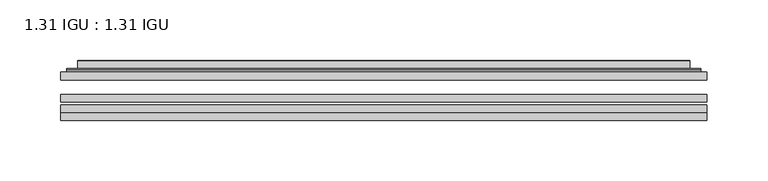
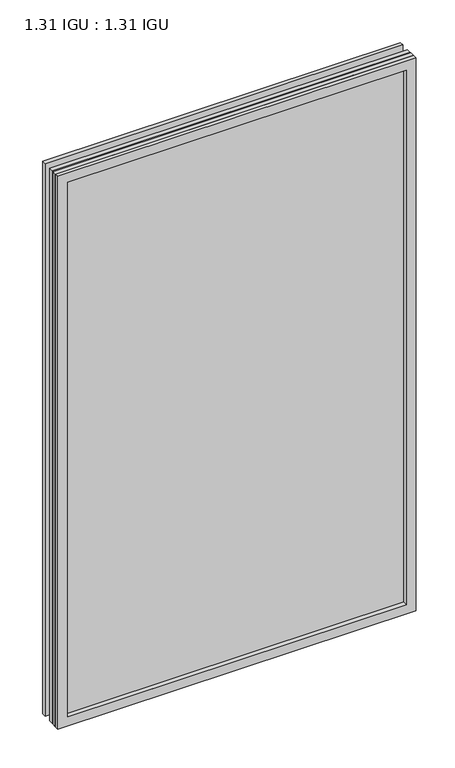
"""IFC4 building model written with IfcOpenShell, lengths in millimetres: plate geometry, 1.31 IGU : 1.31 IGU."""

import ifcopenshell
import ifcopenshell.guid

model = None  # the IFC model being written
_history = None  # IfcOwnerHistory: only IFC2X3 demands one
_inside = {}  # id of a spatial element -> (the spatial element, [elements in it])
_under = {}  # id of a project, library or spatial element -> (it, [spatial elements below it])
_declared = {}  # id of a project -> (the project, [libraries it declares])
_typed = {}  # id of a type object -> (the type object, [elements of that type])
_made_of = {}  # id of a material, layer set ... -> (it, [elements and type objects made of it])


def new_model(schema):
    """Start an empty IFC model of exactly this schema.

    Asked for "IFC4X3", IfcOpenShell would pick the latest addendum, in which some entities
    have other attributes; the version numbers below select the first issue.
    IFC2X3 requires an IfcOwnerHistory on every rooted entity: one is made here for all.
    """
    global model, _history
    if schema == "IFC4X3":
        model = ifcopenshell.file(schema_version=(4, 3, 0, 0))
    else:
        model = ifcopenshell.file(schema=schema)
    _inside.clear()
    _under.clear()
    _declared.clear()
    _typed.clear()
    _made_of.clear()
    _history = None
    if model.schema == "IFC2X3":
        org = make("IfcOrganization", Name="unknown")
        user = make(
            "IfcPersonAndOrganization",
            ThePerson=make("IfcPerson", FamilyName="unknown"),
            TheOrganization=org,
        )
        app = make(
            "IfcApplication",
            ApplicationDeveloper=org,
            Version="unknown",
            ApplicationFullName="unknown",
            ApplicationIdentifier="unknown",
        )
        _history = make(
            "IfcOwnerHistory",
            OwningUser=user,
            OwningApplication=app,
            ChangeAction="ADDED",
            CreationDate=0,
        )
    return model


def make(cls, **values):
    """One entity of the class cls with the attributes given. An attribute that is None is left unset."""
    return model.create_entity(
        cls, **{name: value for name, value in values.items() if value is not None}
    )


def rooted(cls, **values):
    """An entity with a GlobalId (a new one), such as an element, a storey or a relation."""
    return make(cls, GlobalId=ifcopenshell.guid.new(), OwnerHistory=_history, **values)


def si_unit(unit_type, name, prefix=None):
    """IfcSIUnit, for example si_unit("LENGTHUNIT", "METRE", prefix="MILLI")."""
    return make("IfcSIUnit", UnitType=unit_type, Prefix=prefix, Name=name)


def assignment(units):
    """IfcUnitAssignment: the units of a project."""
    return None if units is None else make("IfcUnitAssignment", Units=units)


def point(xyz):
    """IfcCartesianPoint."""
    return None if xyz is None else make("IfcCartesianPoint", Coordinates=xyz)


def direction(xyz):
    """IfcDirection."""
    return None if xyz is None else make("IfcDirection", DirectionRatios=xyz)


def frame(location, z_axis=None, x_axis=None):
    """IfcAxis2Placement3D, a coordinate frame: its origin and axes. An axis left out is left unset."""
    return make(
        "IfcAxis2Placement3D",
        Location=point(location),
        Axis=direction(z_axis),
        RefDirection=direction(x_axis),
    )


def origin():
    """The frame at (0, 0, 0) with its axes left unset."""
    return frame((0.0, 0.0, 0.0))


def place(relative_to, where):
    """IfcLocalPlacement: puts the frame where relative to a parent placement (None: the world)."""
    return make(
        "IfcLocalPlacement", PlacementRelTo=relative_to, RelativePlacement=where
    )


def context(
    kind, dimensions, precision=None, world=None, true_north=None, identifier=None
):
    """IfcGeometricRepresentationContext, for example the 3D "Model" context."""
    return make(
        "IfcGeometricRepresentationContext",
        ContextIdentifier=identifier,
        ContextType=kind,
        CoordinateSpaceDimension=dimensions,
        Precision=precision,
        WorldCoordinateSystem=world,
        TrueNorth=true_north,
    )


def project(units=None, contexts=None):
    """IfcProject with its units and contexts."""
    return rooted(
        "IfcProject",
        Name="project",
        RepresentationContexts=contexts,
        UnitsInContext=assignment(units),
    )


def spatial(cls, under=None, at=None, **own):
    """A site, building, storey or space (cls), placed at a placement, below another one or the project."""
    s = rooted(cls, ObjectPlacement=at, **own)
    if under is not None:
        _under.setdefault(under.id(), (under, []))[1].append(s)
    return s


def polyline(points):
    """IfcPolyline through the points."""
    return make("IfcPolyline", Points=[point(p) for p in points])


def ellipse_curve(where, semi_axis1, semi_axis2):
    """IfcEllipse in the frame where."""
    return make(
        "IfcEllipse", Position=where, SemiAxis1=semi_axis1, SemiAxis2=semi_axis2
    )


def outline(outer, holes=None, kind="AREA"):
    """IfcArbitraryClosedProfileDef: a profile drawn as a closed curve; with holes, ...WithVoids."""
    if holes is None:
        return make("IfcArbitraryClosedProfileDef", ProfileType=kind, OuterCurve=outer)
    return make(
        "IfcArbitraryProfileDefWithVoids",
        ProfileType=kind,
        OuterCurve=outer,
        InnerCurves=holes,
    )


def extrude(swept, where, along, depth):
    """IfcExtrudedAreaSolid: the profile swept, set in the frame where, extruded along a direction by depth."""
    return make(
        "IfcExtrudedAreaSolid",
        SweptArea=swept,
        Position=where,
        ExtrudedDirection=direction(along),
        Depth=depth,
    )


def faces_of(points, faces, orient=None, outer=None):
    """IfcFace entities. A face is a list of loops; a loop is a list of indices into points, from 0.

    orient and outer hold one flag for each loop. By default every Orientation is true, the
    first loop of a face is its IfcFaceOuterBound and the others are IfcFaceBound.
    """
    made = []
    for i, loops in enumerate(faces):
        bounds = []
        for j, loop in enumerate(loops):
            is_outer = j == 0 if outer is None else outer[i][j]
            bounds.append(
                make(
                    "IfcFaceOuterBound" if is_outer else "IfcFaceBound",
                    Bound=make("IfcPolyLoop", Polygon=[points[k] for k in loop]),
                    Orientation=True if orient is None else orient[i][j],
                )
            )
        made.append(make("IfcFace", Bounds=bounds))
    return made


def faceted_brep(points, faces, orient=None, outer=None, voids=None):
    """IfcFacetedBrep: a solid bounded by flat faces; with voids (closed shells), ...WithVoids."""
    shared = [point(p) for p in points]
    hull = make("IfcClosedShell", CfsFaces=faces_of(shared, faces, orient, outer))
    if voids is None:
        return make("IfcFacetedBrep", Outer=hull)
    return make(
        "IfcFacetedBrepWithVoids",
        Outer=hull,
        Voids=[
            make(cls, CfsFaces=faces_of(shared, fs, o, b)) for cls, fs, o, b in voids
        ],
    )


def shape(context_of_items, identifier, shape_type, items):
    """IfcShapeRepresentation: the items that make up one representation, for example the "Body"."""
    return make(
        "IfcShapeRepresentation",
        ContextOfItems=context_of_items,
        RepresentationIdentifier=identifier,
        RepresentationType=shape_type,
        Items=items,
    )


def source(mapping_origin, context_of_items, identifier, shape_type, items):
    """IfcRepresentationMap: a shape defined once, which mapped items show again and again."""
    return make(
        "IfcRepresentationMap",
        MappingOrigin=mapping_origin,
        MappedRepresentation=shape(context_of_items, identifier, shape_type, items),
    )


def transform(
    local_origin,
    x_axis=None,
    y_axis=None,
    z_axis=None,
    scale=None,
    scale2=None,
    scale3=None,
    uniform=True,
):
    """IfcCartesianTransformationOperator3D, or its non-uniform kind. x_axis, y_axis, z_axis: its Axis1, 2, 3."""
    if uniform:
        return make(
            "IfcCartesianTransformationOperator3D",
            Axis1=direction(x_axis),
            Axis2=direction(y_axis),
            LocalOrigin=point(local_origin),
            Scale=scale,
            Axis3=direction(z_axis),
        )
    return make(
        "IfcCartesianTransformationOperator3DnonUniform",
        Axis1=direction(x_axis),
        Axis2=direction(y_axis),
        LocalOrigin=point(local_origin),
        Scale=scale,
        Axis3=direction(z_axis),
        Scale2=scale2,
        Scale3=scale3,
    )


def mapped(mapping_source, mapping_target):
    """IfcMappedItem: shows the shape of a source again, moved by a transform."""
    return make(
        "IfcMappedItem", MappingSource=mapping_source, MappingTarget=mapping_target
    )


def made_of(thing, what):
    """Note that an element or type object is made of a material, layer set ...; save() writes the relation."""
    if what is not None:
        _made_of.setdefault(what.id(), (what, []))[1].append(thing)
    return thing


def element(
    cls,
    number,
    at=None,
    inside=None,
    cuts=None,
    type_object=None,
    material=None,
    context=None,
    identifier="Body",
    shape_type=None,
    held_by="IfcProductDefinitionShape",
    body=None,
    shapes=None,
    **own,
):
    """One element of the class cls, such as IfcWall. Its Tag is "e" and its number.

    at: its placement. inside: the storey or other place that contains it. cuts: it is an
    opening in that element (IfcRelVoidsElement). A single representation is given by context,
    identifier, shape_type and body (its items); several are given by shapes. held_by: the class
    of the entity that holds the representations. save() writes the other relations.
    """
    e = rooted(cls, Tag="e%d" % number, ObjectPlacement=at, **own)
    if body is not None:
        shapes = [shape(context, identifier, shape_type, body)]
    if shapes is not None:
        e.Representation = make(held_by, Representations=shapes)
    if inside is not None:
        _inside.setdefault(inside.id(), (inside, []))[1].append(e)
    if cuts is not None:
        rooted(
            "IfcRelVoidsElement", RelatingBuildingElement=cuts, RelatedOpeningElement=e
        )
    if type_object is not None:
        _typed.setdefault(type_object.id(), (type_object, []))[1].append(e)
    return made_of(e, material)


def aggregate(whole, parts):
    """IfcRelAggregates: a whole, such as a stair, and the parts it consists of."""
    return rooted("IfcRelAggregates", RelatingObject=whole, RelatedObjects=parts)


def save(model, path):
    """Write the relations noted so far, then the file.

    IfcRelAggregates (storeys below a building ...), IfcRelContainedInSpatialStructure (elements
    in a storey), IfcRelDefinesByType, IfcRelAssociatesMaterial and IfcRelDeclares: one each for
    every whole, place, type object, material and project.
    """
    for whole, parts in _under.values():
        aggregate(whole, parts)
    for where, things in _inside.values():
        rooted(
            "IfcRelContainedInSpatialStructure",
            RelatedElements=things,
            RelatingStructure=where,
        )
    for kind, things in _typed.values():
        rooted("IfcRelDefinesByType", RelatedObjects=things, RelatingType=kind)
    for what, things in _made_of.values():
        rooted("IfcRelAssociatesMaterial", RelatedObjects=things, RelatingMaterial=what)
    for by, libraries in _declared.values():
        rooted("IfcRelDeclares", RelatingContext=by, RelatedDefinitions=libraries)
    model.write(path)


def plane_surface(at):
    """IfcPlane: the flat surface through the origin of the frame at, square to its z axis."""
    return make("IfcPlane", Position=at)


def cylinder_surface(at, radius):
    """IfcCylindricalSurface: all points at the distance radius from the z axis of the frame at."""
    return make("IfcCylindricalSurface", Position=at, Radius=radius)


def advanced_brep(points, edges, surfaces, faces):
    """IfcAdvancedBrep: a solid bounded by faces that lie on surfaces and meet in shared edges.

    An edge is (start, end): straight between two places in points (the first is 0);
    or (start, end, curve); or (start, end, curve, False) where it runs against its curve.
    A face is (place in surfaces, loops), or (place, loops, False) where it looks against
    its surface's normal. A loop lists edges by number (the first is 1), with a minus sign
    where the edge is run from its end to its start. The first loop is the outer one.
    """
    corners = [point(p) for p in points]
    vertices = [make("IfcVertexPoint", VertexGeometry=c) for c in corners]
    made = []
    for start, end, *more in edges:
        made.append(
            make(
                "IfcEdgeCurve",
                EdgeStart=vertices[start],
                EdgeEnd=vertices[end],
                EdgeGeometry=more[0] if more else make("IfcPolyline", Points=[corners[start], corners[end]]),
                SameSense=more[1] if len(more) > 1 else True,
            )
        )
    hull = []
    for where, loops, *sense in faces:
        bounds = []
        for j, loop in enumerate(loops):
            ring = [make("IfcOrientedEdge", EdgeElement=made[abs(k) - 1], Orientation=k > 0) for k in loop]
            bounds.append(
                make(
                    "IfcFaceOuterBound" if j == 0 else "IfcFaceBound",
                    Bound=make("IfcEdgeLoop", EdgeList=ring),
                    Orientation=True,
                )
            )
        hull.append(make("IfcAdvancedFace", Bounds=bounds, FaceSurface=surfaces[where], SameSense=sense[0] if sense else True))
    return make("IfcAdvancedBrep", Outer=make("IfcClosedShell", CfsFaces=hull))


def plate_1_31_igu_1_31_igu_1349a8a2(model_context):
    return source(origin(), model_context, "Body", "SolidModel", [
        extrude(outline(polyline([(266.7140393, -63.59525), (266.7140393, -69.94525), (-266.6998644, -69.94525), (-266.6998644, -63.59525), (266.7140393, -63.59525)])), frame((0.0, 0.0, -14.2875), z_axis=(0.0, 0.0, 1.0), x_axis=(1.0, 0.0, 0.0)), (0.0, 0.0, 1.0), 869.9537979),
        extrude(outline(polyline([(-266.6998644, -78.58125), (-266.6998644, -72.230745), (266.7140393, -72.230745), (266.7140393, -78.58125), (-266.6998644, -78.58125)])), frame((0.0, 0.0, -14.2875), z_axis=(0.0, 0.0, 1.0), x_axis=(1.0, 0.0, 0.0)), (0.0, 0.0, 1.0), 869.9537979),
        extrude(outline(polyline([(266.7140393, -45.25645), (266.7140393, -51.60645), (-266.6998644, -51.60645), (-266.6998644, -45.25645), (266.7140393, -45.25645)])), frame((0.0, 0.0, -14.2875), z_axis=(0.0, 0.0, 1.0), x_axis=(1.0, 0.0, 0.0)), (0.0, 0.0, 1.0), 869.9537979),
        faceted_brep([(-266.7125644, -84.93125, 855.6752), (-266.7125644, -78.58125, 855.6752), (-266.7125644, -78.58125, -14.3002), (-266.7125644, -84.93125, -14.3002), (266.7125644, -78.58125, -14.3002), (266.7125644, -84.93125, -14.3002), (266.7125644, -78.58125, 855.6752), (266.7125644, -84.93125, 855.6752), (-251.5146202, -78.58125, 0.8977441), (251.5146202, -78.58125, 0.8977441), (251.5146202, -78.58125, 840.4772559), (-251.5146202, -78.58125, 840.4772559), (-252.4070545, -84.93125, 841.3696902), (252.4070545, -84.93125, 841.3696902), (252.4070545, -84.93125, 0.0053098), (-252.4070545, -84.93125, 0.0053098)], [[[0, 1, 2, 3]], [[3, 2, 4, 5]], [[5, 4, 6, 7]], [[1, 6, 4, 2], [8, 9, 10, 11]], [[7, 6, 1, 0]], [[3, 5, 7, 0], [12, 13, 14, 15]], [[11, 12, 15, 8]], [[8, 15, 14, 9]], [[9, 14, 13, 10]], [[10, 13, 12, 11]]]),
        advanced_brep(
        [(-259.4585834, -45.25645, 848.4212191), (-261.8127888, -43.2667833, 850.7754244), (-261.8127888, -43.2667833, -9.4004244), (-259.4585834, -45.25645, -7.046219), (-250.3842583, -41.416413, 839.3468939), (-245.4494264, -45.25645, 834.4120621), (-245.4494264, -45.25645, 6.9629379), (-250.3842583, -41.416413, 2.0281061), (-251.416286, -36.0191819, 840.3789217), (-251.416286, -36.0191819, 0.9960783), (-252.4069428, -35.6202069, 841.3695784), (-252.4069428, -35.6202069, 0.0054216), (-252.4069428, -42.08145, 841.3695784), (-252.4069428, -42.08145, 0.0054216), (-260.8109992, -42.08145, 849.7736349), (-260.8109992, -42.08145, -8.3986349), (261.8127888, -43.2667833, -9.4004244), (259.4585834, -45.25645, -7.046219), (245.4494264, -45.25645, 6.9629379), (250.3842583, -41.416413, 2.0281061), (251.416286, -36.0191819, 0.9960783), (252.4069428, -35.6202069, 0.0054216), (252.4069428, -42.08145, 0.0054216), (260.8109992, -42.08145, -8.3986349), (261.8127888, -43.2667833, 850.7754244), (259.4585834, -45.25645, 848.4212191), (245.4494264, -45.25645, 834.4120621), (250.3842583, -41.416413, 839.3468939), (251.416286, -36.0191819, 840.3789217), (252.4069428, -35.6202069, 841.3695784), (252.4069428, -42.08145, 841.3695784), (260.8109992, -42.08145, 849.7736349)],
        [
            (0, 1, ellipse_curve(frame((-259.4585834, -42.86885, 848.4212191), z_axis=(-0.7071067811865475, 0.0, -0.7071067811865475), x_axis=(-0.7071067811865474, 0.0, 0.7071067811865476)), 3.3765763, 2.3876)),
            (1, 2),
            (2, 3, ellipse_curve(frame((-259.4585834, -42.86885, -7.046219), z_axis=(-0.7071067811865475, 0.0, 0.7071067811865475), x_axis=(0.7071067811865474, 0.0, 0.7071067811865476)), 3.3765763, 2.3876)),
            (3, 0),
            (4, 5),
            (5, 6),
            (6, 7),
            (7, 4),
            (8, 4),
            (7, 9),
            (9, 8),
            (10, 8, ellipse_curve(frame((-252.0399862, -36.1384423, 841.0026219), z_axis=(-0.7071067811865475, 0.0, -0.7071067811865475), x_axis=(-0.7071067811865474, 0.0, 0.7071067811865476)), 0.8980256, 0.635)),
            (9, 11, ellipse_curve(frame((-252.0399862, -36.1384423, 0.3723781), z_axis=(-0.7071067811865475, 0.0, 0.7071067811865475), x_axis=(0.7071067811865474, 0.0, 0.7071067811865476)), 0.8980256, 0.635)),
            (11, 10),
            (12, 10),
            (11, 13),
            (13, 12),
            (1, 14, ellipse_curve(frame((-260.8109992, -43.09745, 849.7736349), z_axis=(-0.7071067811865475, 0.0, -0.7071067811865475), x_axis=(-0.7071067811865474, 0.0, 0.7071067811865476)), 1.436841, 1.016)),
            (14, 15),
            (15, 2, ellipse_curve(frame((-260.8109992, -43.09745, -8.3986349), z_axis=(-0.7071067811865475, 0.0, 0.7071067811865475), x_axis=(0.7071067811865474, 0.0, 0.7071067811865476)), 1.436841, 1.016)),
            (2, 16),
            (16, 17, ellipse_curve(frame((259.4585834, -42.86885, -7.046219), z_axis=(-0.7071067811865475, 0.0, -0.7071067811865475), x_axis=(-0.7071067811865476, 0.0, 0.7071067811865474)), 3.3765763, 2.3876)),
            (17, 3),
            (6, 18),
            (18, 19),
            (19, 7),
            (19, 20),
            (20, 9),
            (20, 21, ellipse_curve(frame((252.0399862, -36.1384423, 0.3723781), z_axis=(-0.7071067811865475, 0.0, -0.7071067811865475), x_axis=(-0.7071067811865476, 0.0, 0.7071067811865474)), 0.8980256, 0.635)),
            (21, 11),
            (21, 22),
            (22, 13),
            (15, 23),
            (23, 16, ellipse_curve(frame((260.8109992, -43.09745, -8.3986349), z_axis=(-0.7071067811865475, 0.0, -0.7071067811865475), x_axis=(-0.7071067811865476, 0.0, 0.7071067811865474)), 1.436841, 1.016)),
            (16, 24),
            (24, 25, ellipse_curve(frame((259.4585834, -42.86885, 848.4212191), z_axis=(0.7071067811865475, 0.0, -0.7071067811865475), x_axis=(-0.7071067811865474, 0.0, -0.7071067811865476)), 3.3765763, 2.3876)),
            (25, 17),
            (18, 26),
            (26, 27),
            (27, 19),
            (27, 28),
            (28, 20),
            (28, 29, ellipse_curve(frame((252.0399862, -36.1384423, 841.0026219), z_axis=(0.7071067811865475, 0.0, -0.7071067811865475), x_axis=(-0.7071067811865474, 0.0, -0.7071067811865476)), 0.8980256, 0.635)),
            (29, 21),
            (29, 30),
            (30, 22),
            (23, 31),
            (31, 24, ellipse_curve(frame((260.8109992, -43.09745, 849.7736349), z_axis=(0.7071067811865475, 0.0, -0.7071067811865475), x_axis=(-0.7071067811865474, 0.0, -0.7071067811865476)), 1.436841, 1.016)),
            (24, 1),
            (0, 25),
            (5, 26),
            (4, 27),
            (8, 28),
            (10, 29),
            (12, 30),
            (14, 31),
        ],
        [
            cylinder_surface(frame((-259.4585834, -42.86885, 873.125), z_axis=(0.0, 0.0, 1.0), x_axis=(-1.0, 0.0, 0.0)), 2.3876),
            plane_surface(frame((-245.4494264, -45.25645, 834.4120621), z_axis=(0.6141233906514794, 0.7892100234124821, 0.0), x_axis=(0.0, 0.0, -1.0))),
            plane_surface(frame((-250.3842583, -41.416413, 839.3468939), z_axis=(0.9822050625507729, 0.18781164793386076, 0.0), x_axis=(0.0, 0.0, -1.0))),
            cylinder_surface(frame((-252.0399862, -36.1384423, 873.125), z_axis=(0.0, 0.0, 1.0), x_axis=(-1.0, 0.0, 0.0)), 0.635),
            plane_surface(frame((-252.4069428, -35.6202069, 841.3695784), z_axis=(-1.0, 0.0, 0.0), x_axis=(0.0, 0.0, -1.0))),
            cylinder_surface(frame((-260.8109992, -43.09745, 873.125), z_axis=(0.0, 0.0, 1.0), x_axis=(-1.0, 0.0, 0.0)), 1.016),
            cylinder_surface(frame((-284.1623644, -42.86885, -7.046219), z_axis=(-1.0, 0.0, 0.0), x_axis=(0.0, 0.0, -1.0)), 2.3876),
            plane_surface(frame((-245.4494264, -45.25645, 6.9629379), z_axis=(0.0, 0.7892100234124841, 0.6141233906514768), x_axis=(1.0, 0.0, 0.0))),
            plane_surface(frame((-250.3842583, -41.416413, 2.0281061), z_axis=(0.0, 0.18781164793386393, 0.9822050625507723), x_axis=(1.0, 0.0, 0.0))),
            cylinder_surface(frame((-284.1623644, -36.1384423, 0.3723781), z_axis=(-1.0, 0.0, 0.0), x_axis=(0.0, 0.0, -1.0)), 0.635),
            plane_surface(frame((-252.4069428, -35.6202069, 0.0054216), z_axis=(0.0, 0.0, -1.0), x_axis=(1.0, 0.0, 0.0))),
            cylinder_surface(frame((-284.1623644, -43.09745, -8.3986349), z_axis=(-1.0, 0.0, 0.0), x_axis=(0.0, 0.0, -1.0)), 1.016),
            cylinder_surface(frame((259.4585834, -42.86885, -31.75), z_axis=(0.0, 0.0, -1.0), x_axis=(1.0, 0.0, 0.0)), 2.3876),
            plane_surface(frame((245.4494264, -45.25645, 6.9629379), z_axis=(-0.6141233906514743, 0.7892100234124861, 0.0), x_axis=(0.0, 0.0, 1.0))),
            plane_surface(frame((250.3842583, -41.416413, 2.0281061), z_axis=(-0.9822050625507718, 0.1878116479338671, 0.0), x_axis=(0.0, 0.0, 1.0))),
            cylinder_surface(frame((252.0399862, -36.1384423, -31.75), z_axis=(0.0, 0.0, -1.0), x_axis=(1.0, 0.0, 0.0)), 0.635),
            plane_surface(frame((252.4069428, -35.6202069, 0.0054216), z_axis=(1.0, 0.0, 0.0), x_axis=(0.0, 0.0, 1.0))),
            cylinder_surface(frame((260.8109992, -43.09745, -31.75), z_axis=(0.0, 0.0, -1.0), x_axis=(1.0, 0.0, 0.0)), 1.016),
            cylinder_surface(frame((284.1623644, -42.86885, 848.4212191), z_axis=(1.0, 0.0, 0.0), x_axis=(0.0, 0.0, 1.0)), 2.3876),
            plane_surface(frame((259.4585834, -45.25645, 848.4212191), z_axis=(0.0, -1.0, 0.0), x_axis=(-1.0, 0.0, 0.0))),
            plane_surface(frame((245.4494264, -45.25645, 834.4120621), z_axis=(0.0, 0.7892100234124841, -0.6141233906514768), x_axis=(-1.0, 0.0, 0.0))),
            plane_surface(frame((250.3842583, -41.416413, 839.3468939), z_axis=(0.0, 0.18781164793386393, -0.9822050625507723), x_axis=(-1.0, 0.0, 0.0))),
            cylinder_surface(frame((284.1623644, -36.1384423, 841.0026219), z_axis=(1.0, 0.0, 0.0), x_axis=(0.0, 0.0, 1.0)), 0.635),
            plane_surface(frame((252.4069428, -35.6202069, 841.3695784), z_axis=(0.0, 0.0, 1.0), x_axis=(-1.0, 0.0, 0.0))),
            plane_surface(frame((252.4069428, -42.08145, 841.3695784), z_axis=(0.0, 1.0, 0.0), x_axis=(-1.0, 0.0, 0.0))),
            cylinder_surface(frame((284.1623644, -43.09745, 849.7736349), z_axis=(1.0, 0.0, 0.0), x_axis=(0.0, 0.0, 1.0)), 1.016),
        ],
        [
            (0, [[1, 2, 3, 4]]),
            (1, [[5, 6, 7, 8]]),
            (2, [[9, -8, 10, 11]]),
            (3, [[12, -11, 13, 14]]),
            (4, [[15, -14, 16, 17]]),
            (5, [[18, 19, 20, -2]]),
            (6, [[-3, 21, 22, 23]]),
            (7, [[-7, 24, 25, 26]]),
            (8, [[-10, -26, 27, 28]]),
            (9, [[-13, -28, 29, 30]]),
            (10, [[-16, -30, 31, 32]]),
            (11, [[-20, 33, 34, -21]]),
            (12, [[-22, 35, 36, 37]]),
            (13, [[-25, 38, 39, 40]]),
            (14, [[-27, -40, 41, 42]]),
            (15, [[-29, -42, 43, 44]]),
            (16, [[-31, -44, 45, 46]]),
            (17, [[-34, 47, 48, -35]]),
            (18, [[-36, 49, -1, 50]]),
            (19, [[-23, -37, -50, -4], [51, -38, -24, -6]]),
            (20, [[-39, -51, -5, 52]]),
            (21, [[-41, -52, -9, 53]]),
            (22, [[-43, -53, -12, 54]]),
            (23, [[-45, -54, -15, 55]]),
            (24, [[56, -47, -33, -19], [-32, -46, -55, -17]]),
            (25, [[-48, -56, -18, -49]]),
        ],
    ),
    ])


if __name__ == "__main__":
    model = new_model("IFC4")
    model_context = context("Model", 3, world=origin())
    ifc_project = project(units=[si_unit("LENGTHUNIT", "METRE", prefix="MILLI")], contexts=[model_context])
    site = spatial("IfcSite", under=ifc_project)
    building = spatial("IfcBuilding", under=site)
    placement = place(None, origin())
    plate_1_31_igu_1_31_igu_shape = plate_1_31_igu_1_31_igu_1349a8a2(model_context)
    element("IfcPlate", 1, ObjectType="1.31 IGU : 1.31 IGU", at=placement, inside=building, context=model_context, shape_type="MappedRepresentation", body=[
        mapped(plate_1_31_igu_1_31_igu_shape, transform((0.0, 0.0, 0.0), x_axis=(1.0, 0.0, 0.0), y_axis=(0.0, 1.0, 0.0), z_axis=(0.0, 0.0, 1.0))),
    ])
    save(model, "model.ifc")
